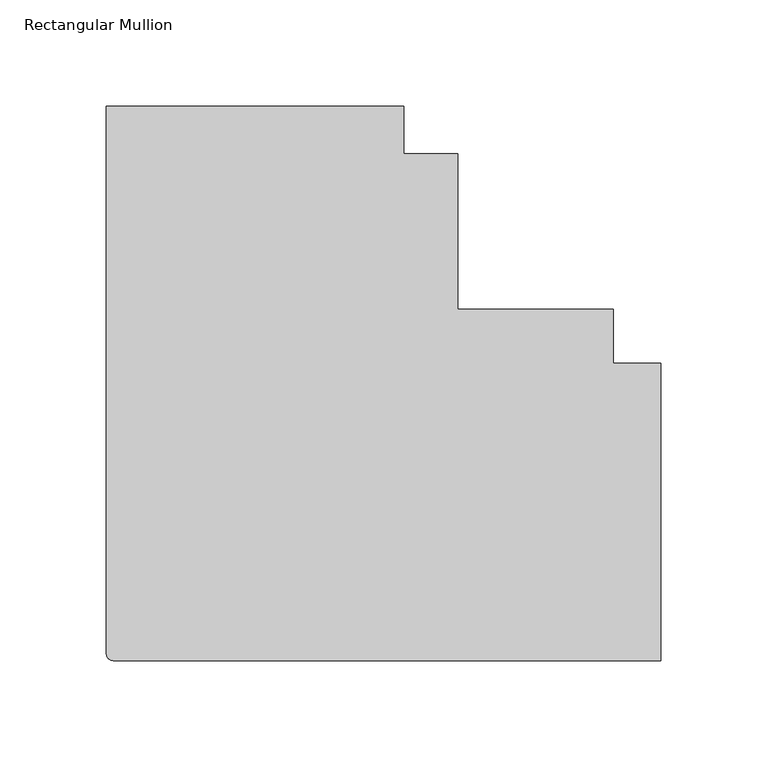
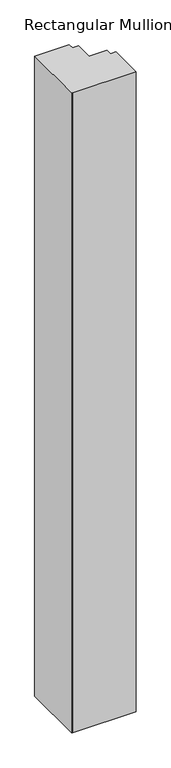
"""IFC4 building model written with IfcOpenShell, lengths in millimetres: member geometry, Rectangular Mullion."""

from ifc_helpers import new_model, si_unit, point, frame, frame_2d, origin, place, context, project, spatial, polyline, circle_curve, trimmed, segment, composite_curve, outline, extrude, source, transform, mapped, element, save


def rectangular_mullion_f632357f(model_context):
    return source(origin(), model_context, "Body", "SweptSolid", [
        extrude(outline(composite_curve([segment(polyline([(0.0, -260.35), (-257.175, -260.35)]), True, "CONTINUOUS"), segment(trimmed(circle_curve(frame_2d((-257.175, -257.175)), 3.175), [point((-257.175, -260.35))], [point((-260.35, -257.175))], False, "CARTESIAN"), True, "CONTINUOUS"), segment(polyline([(-260.35, -257.175), (-260.35, 0.0), (-120.6499944, 0.0), (-120.6499944, -22.2248868), (-95.25, -22.2248868), (-95.25, -95.25), (-22.2248868, -95.25), (-22.2248868, -120.6499944), (0.0, -120.6499944), (0.0, -260.35)]), True, "CONTINUOUS")], self_intersect=False)), frame((0.0, 0.0, -2743.2), z_axis=(0.0, 0.0, 1.0), x_axis=(1.0, 0.0, 0.0)), (0.0, 0.0, 1.0), 2743.2),
    ])


if __name__ == "__main__":
    model = new_model("IFC4")
    model_context = context("Model", 3, world=origin())
    ifc_project = project(units=[si_unit("LENGTHUNIT", "METRE", prefix="MILLI")], contexts=[model_context])
    site = spatial("IfcSite", under=ifc_project)
    building = spatial("IfcBuilding", under=site)
    placement = place(None, origin())
    rectangular_mullion_shape = rectangular_mullion_f632357f(model_context)
    element("IfcMember", 1, ObjectType="Rectangular Mullion", at=placement, inside=building, context=model_context, shape_type="MappedRepresentation", body=[
        mapped(rectangular_mullion_shape, transform((0.0, 0.0, 0.0), x_axis=(1.0, 0.0, 0.0), y_axis=(0.0, 1.0, 0.0), z_axis=(0.0, 0.0, 1.0))),
    ])
    save(model, "model.ifc")
